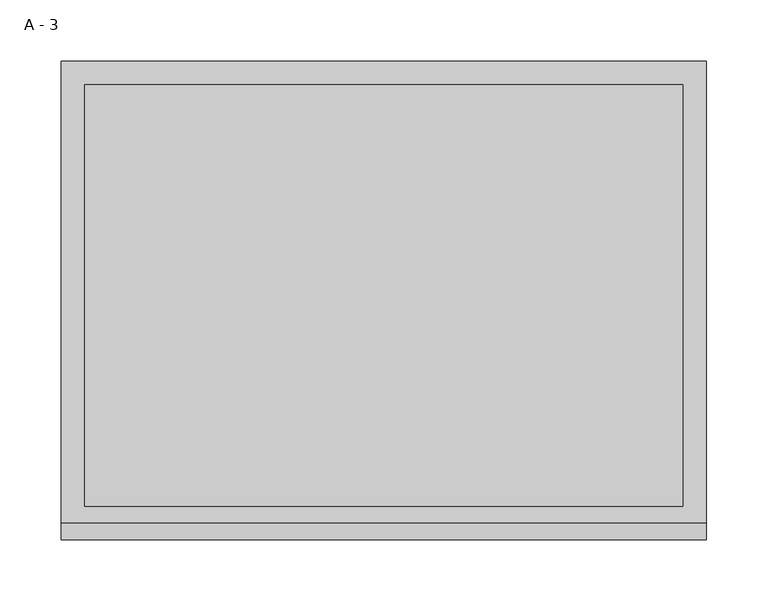
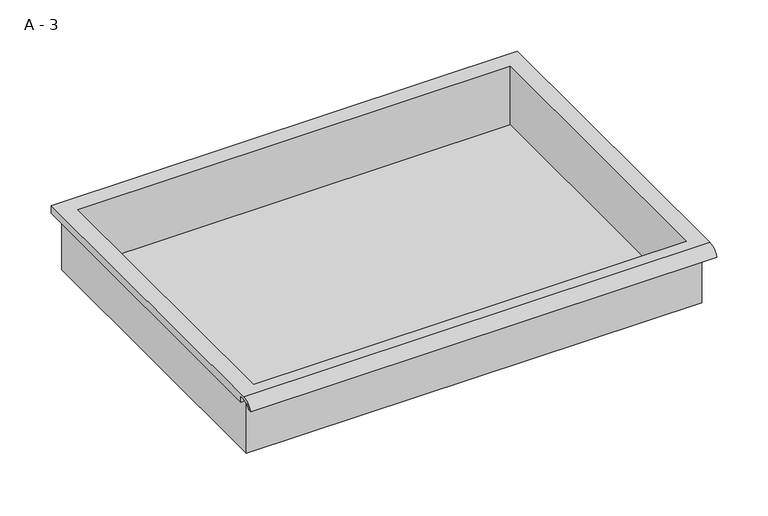
"""IFC4 building model written with IfcOpenShell, lengths in millimetres: furniture geometry, A - 3."""

from ifc_helpers import new_model, si_unit, frame, origin, place, context, project, spatial, polyline, circle_curve, source, transform, mapped, element, save
from ifc_brep_helpers import plane_surface, cylinder_surface, revolved_surface, advanced_brep


def a_3_e5988e1f(model_context):
    return source(origin(), model_context, "Body", "AdvancedBrep", [
        advanced_brep(
        [(-257.1076517, -176.2125, 661.9875), (257.2423483, -176.2125, 661.9875), (257.2423483, -176.2125, 725.4875), (263.5923483, -176.2125, 725.4875), (263.5923483, -176.2125, 731.7946341), (-263.4576517, -176.2125, 731.7946341), (-263.4576517, -176.2125, 725.4875), (-257.1076517, -176.2125, 725.4875), (257.2423483, 185.7375, 661.9875), (-257.1076517, 185.7375, 661.9875), (-257.1076517, 185.7375, 725.4875), (257.2423483, 185.7375, 725.4875), (263.5923483, -181.6070544, 735.0125), (263.5923483, 195.2625, 735.0125), (-263.4576517, 195.2625, 735.0125), (-263.4576517, -181.6070544, 735.0125), (244.5423483, -168.275, 735.0125), (-244.4076517, -168.275, 735.0125), (-244.4076517, 176.2125, 735.0125), (244.5423483, 176.2125, 735.0125), (263.5923483, -195.2625, 725.4875), (263.5923483, -191.8280601, 725.4875), (263.5923483, -180.4714815, 731.7946341), (263.5923483, 195.2625, 725.4875), (-263.4576517, 195.2625, 725.4875), (-263.4576517, -180.4714815, 731.7946341), (-263.4576517, -191.8280601, 725.4875), (-263.4576517, -195.2625, 725.4875), (-244.4076517, -168.275, 665.0136719), (244.5423483, -168.275, 665.0136719), (244.5423483, 176.2125, 665.0136719), (-244.4076517, 176.2125, 665.0136719)],
        [
            (0, 1),
            (1, 2),
            (2, 3),
            (3, 4),
            (4, 5),
            (5, 6),
            (6, 7),
            (7, 0),
            (8, 9),
            (9, 10),
            (10, 11),
            (11, 8),
            (0, 9),
            (8, 1),
            (11, 2),
            (12, 13),
            (13, 14),
            (14, 15),
            (15, 12),
            (16, 17),
            (17, 18),
            (18, 19),
            (19, 16),
            (7, 10),
            (12, 20, circle_curve(frame((263.5923483, -181.6070544, 720.4614859), z_axis=(1.0, 0.0, 0.0), x_axis=(0.0, 1.0, 0.0)), 14.5510141)),
            (20, 21),
            (21, 22, circle_curve(frame((263.5923483, -181.6070544, 720.4614859), z_axis=(-1.0, 0.0, 0.0), x_axis=(0.0, 1.0, 0.0)), 11.3898979)),
            (22, 4),
            (3, 23),
            (23, 13),
            (14, 24),
            (24, 6),
            (5, 25),
            (25, 26, circle_curve(frame((-263.4576517, -181.6070544, 720.4614859), z_axis=(1.0, 0.0, 0.0), x_axis=(0.0, 1.0, 0.0)), 11.3898979)),
            (26, 27),
            (27, 15, circle_curve(frame((-263.4576517, -181.6070544, 720.4614859), z_axis=(-1.0, 0.0, 0.0), x_axis=(0.0, 1.0, 0.0)), 14.5510141)),
            (27, 20),
            (26, 21),
            (25, 22),
            (24, 23),
            (28, 29),
            (29, 30),
            (30, 31),
            (31, 28),
            (28, 17),
            (16, 29),
            (19, 30),
            (18, 31),
        ],
        [
            plane_surface(frame((257.2423483, -176.2125, 661.9875), z_axis=(0.0, -1.0, 0.0), x_axis=(1.0, 0.0, 0.0))),
            plane_surface(frame((257.2423483, 185.7375, 661.9875), z_axis=(0.0, 1.0, 0.0), x_axis=(-1.0, 0.0, 0.0))),
            plane_surface(frame((-257.1076517, -176.2125, 661.9875), z_axis=(0.0, 0.0, -1.0), x_axis=(0.0, 1.0, 0.0))),
            plane_surface(frame((257.2423483, -176.2125, 661.9875), z_axis=(1.0, 0.0, 0.0), x_axis=(0.0, 1.0, 0.0))),
            plane_surface(frame((257.2423483, -176.2125, 735.0125), z_axis=(0.0, 0.0, 1.0), x_axis=(0.0, 1.0, 0.0))),
            plane_surface(frame((-257.1076517, -176.2125, 735.0125), z_axis=(-1.0, 0.0, 0.0), x_axis=(0.0, 1.0, 0.0))),
            plane_surface(frame((263.5923483, 195.2625, 735.0125), z_axis=(1.0, 0.0, 0.0), x_axis=(0.0, -1.0, 0.0))),
            plane_surface(frame((-263.4576517, 195.2625, 735.0125), z_axis=(-1.0, 0.0, 0.0), x_axis=(0.0, 1.0, 0.0))),
            cylinder_surface(frame((-263.4576517, -181.6070544, 720.4614859), z_axis=(1.0, 0.0, 0.0), x_axis=(0.0, 1.0, 0.0)), 14.5510141),
            plane_surface(frame((263.5923483, -195.2625, 725.4875), z_axis=(0.0, -7.172997036885368e-12, -1.0), x_axis=(-1.0, 0.0, 0.0))),
            revolved_surface(polyline([(-263.4576517, -170.21715650000002, 720.4614859), (263.59234829999997, -170.21715650000002, 720.4614859)]), (-263.4576517, -181.6070544, 720.4614859), (-1.0, 0.0, 0.0)),
            plane_surface(frame((263.5923483, -180.4714815, 731.7946341), z_axis=(0.0, -1.7766064657785742e-11, -1.0), x_axis=(-1.0, 0.0, 0.0))),
            plane_surface(frame((263.5923483, -176.2125, 725.4875), z_axis=(0.0, 0.0, -1.0), x_axis=(-1.0, 0.0, 0.0))),
            plane_surface(frame((263.5923483, 195.2625, 725.4875), z_axis=(0.0, 1.0, 0.0), x_axis=(-1.0, 0.0, 0.0))),
            plane_surface(frame((244.5423483, -168.275, 665.0136719), z_axis=(0.0, 0.0, 1.0), x_axis=(-1.0, 0.0, 0.0))),
            plane_surface(frame((-244.4076517, -168.275, 735.0125), z_axis=(0.0, 1.0, 0.0), x_axis=(0.0, 0.0, -1.0))),
            plane_surface(frame((244.5423483, -168.275, 735.0125), z_axis=(-1.0, 0.0, 0.0), x_axis=(0.0, 0.0, -1.0))),
            plane_surface(frame((244.5423483, 176.2125, 735.0125), z_axis=(0.0, -1.0, 0.0), x_axis=(0.0, 0.0, -1.0))),
            plane_surface(frame((-244.4076517, 176.2125, 735.0125), z_axis=(1.0, 0.0, 0.0), x_axis=(0.0, 0.0, -1.0))),
        ],
        [
            (0, [[1, 2, 3, 4, 5, 6, 7, 8]]),
            (1, [[9, 10, 11, 12]]),
            (2, [[-1, 13, -9, 14]]),
            (3, [[-14, -12, 15, -2]]),
            (4, [[16, 17, 18, 19], [20, 21, 22, 23]]),
            (5, [[-13, -8, 24, -10]]),
            (6, [[-16, 25, 26, 27, 28, -4, 29, 30]]),
            (7, [[31, 32, -6, 33, 34, 35, 36, -18]]),
            (8, [[-25, -19, -36, 37]]),
            (9, [[-26, -37, -35, 38]]),
            (10, [[-27, -38, -34, 39]]),
            (11, [[-28, -39, -33, -5]]),
            (12, [[-29, -3, -15, -11, -24, -7, -32, 40]]),
            (13, [[-30, -40, -31, -17]]),
            (14, [[41, 42, 43, 44]]),
            (15, [[-41, 45, -20, 46]]),
            (16, [[-42, -46, -23, 47]]),
            (17, [[-43, -47, -22, 48]]),
            (18, [[-44, -48, -21, -45]]),
        ],
    ),
    ])


if __name__ == "__main__":
    model = new_model("IFC4")
    model_context = context("Model", 3, world=origin())
    ifc_project = project(units=[si_unit("LENGTHUNIT", "METRE", prefix="MILLI")], contexts=[model_context])
    site = spatial("IfcSite", under=ifc_project)
    building = spatial("IfcBuilding", under=site)
    placement = place(None, origin())
    a_3_shape = a_3_e5988e1f(model_context)
    element("IfcFurniture", 1, ObjectType="A - 3", at=placement, inside=building, context=model_context, shape_type="MappedRepresentation", body=[
        mapped(a_3_shape, transform((0.0, 0.0, 0.0), x_axis=(1.0, 0.0, 0.0), y_axis=(0.0, 1.0, 0.0), z_axis=(0.0, 0.0, 1.0))),
    ])
    save(model, "model.ifc")
